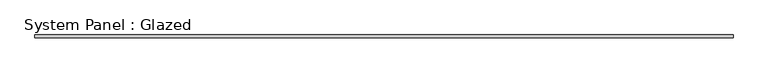
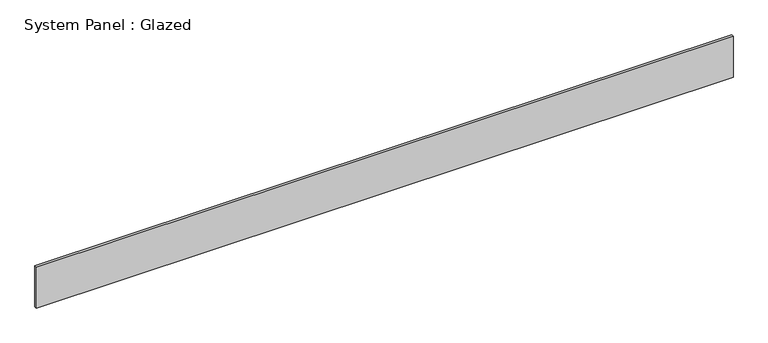
"""IFC4 building model written with IfcOpenShell, lengths in millimetres: plate geometry, System Panel : Glazed."""

from ifc_helpers import new_model, si_unit, origin, origin_with_axes, place, context, project, spatial, polyline, outline, extrude, source, transform, mapped, element, save


def system_panel_glazed_afd272c4(model_context):
    return source(origin(), model_context, "Body", "SweptSolid", [
        extrude(outline(polyline([(3220.8292416, 24.5), (-3220.8292416, 24.5), (-3220.8292416, 49.5), (3220.8292416, 49.5), (3220.8292416, 24.5)])), origin_with_axes(), (0.0, 0.0, 1.0), 400.0),
    ])


if __name__ == "__main__":
    model = new_model("IFC4")
    model_context = context("Model", 3, world=origin())
    ifc_project = project(units=[si_unit("LENGTHUNIT", "METRE", prefix="MILLI")], contexts=[model_context])
    site = spatial("IfcSite", under=ifc_project)
    building = spatial("IfcBuilding", under=site)
    placement = place(None, origin())
    system_panel_glazed_shape = system_panel_glazed_afd272c4(model_context)
    element("IfcPlate", 1, ObjectType="System Panel : Glazed", at=placement, inside=building, context=model_context, shape_type="MappedRepresentation", body=[
        mapped(system_panel_glazed_shape, transform((0.0, 0.0, 0.0), x_axis=(1.0, 0.0, 0.0), y_axis=(0.0, 1.0, 0.0), z_axis=(0.0, 0.0, 1.0))),
    ])
    save(model, "model.ifc")
